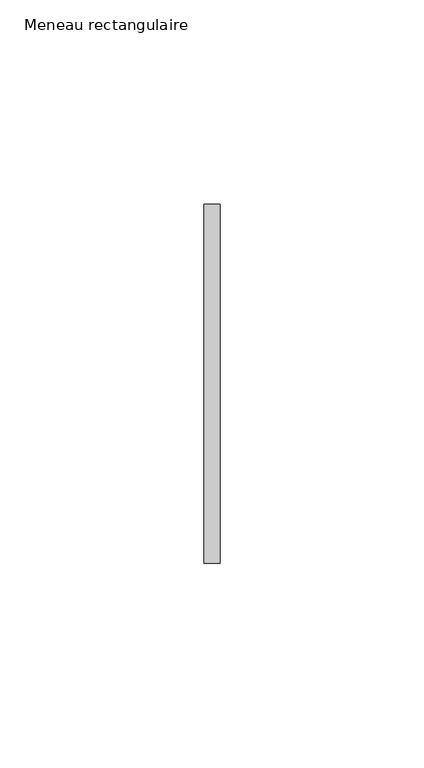
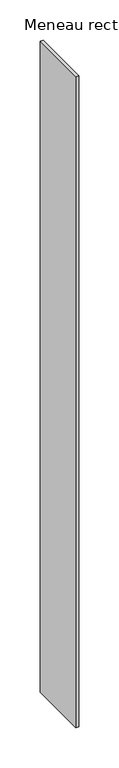
"""IFC4 building model written with IfcOpenShell, lengths in millimetres: member geometry, Meneau rectangulaire."""

from ifc_helpers import new_model, si_unit, frame, origin, place, context, project, spatial, polyline, outline, extrude, source, transform, mapped, element, save


def meneau_rectangulaire_9bba4e40(model_context):
    return source(origin(), model_context, "Body", "SweptSolid", [
        extrude(outline(polyline([(-2.0, 44.0), (2.0, 44.0), (2.0, -44.0), (-2.0, -44.0), (-2.0, 44.0)])), frame((0.0, 0.0, -985.0), z_axis=(0.0, 0.0, 1.0), x_axis=(1.0, 0.0, 0.0)), (0.0, 0.0, 1.0), 985.0),
    ])


if __name__ == "__main__":
    model = new_model("IFC4")
    model_context = context("Model", 3, world=origin())
    ifc_project = project(units=[si_unit("LENGTHUNIT", "METRE", prefix="MILLI")], contexts=[model_context])
    site = spatial("IfcSite", under=ifc_project)
    building = spatial("IfcBuilding", under=site)
    placement = place(None, origin())
    meneau_rectangulaire_shape = meneau_rectangulaire_9bba4e40(model_context)
    element("IfcMember", 1, ObjectType="Meneau rectangulaire", at=placement, inside=building, context=model_context, shape_type="MappedRepresentation", body=[
        mapped(meneau_rectangulaire_shape, transform((0.0, 0.0, 0.0), x_axis=(1.0, 0.0, 0.0), y_axis=(0.0, 1.0, 0.0), z_axis=(0.0, 0.0, 1.0))),
    ])
    save(model, "model.ifc")
